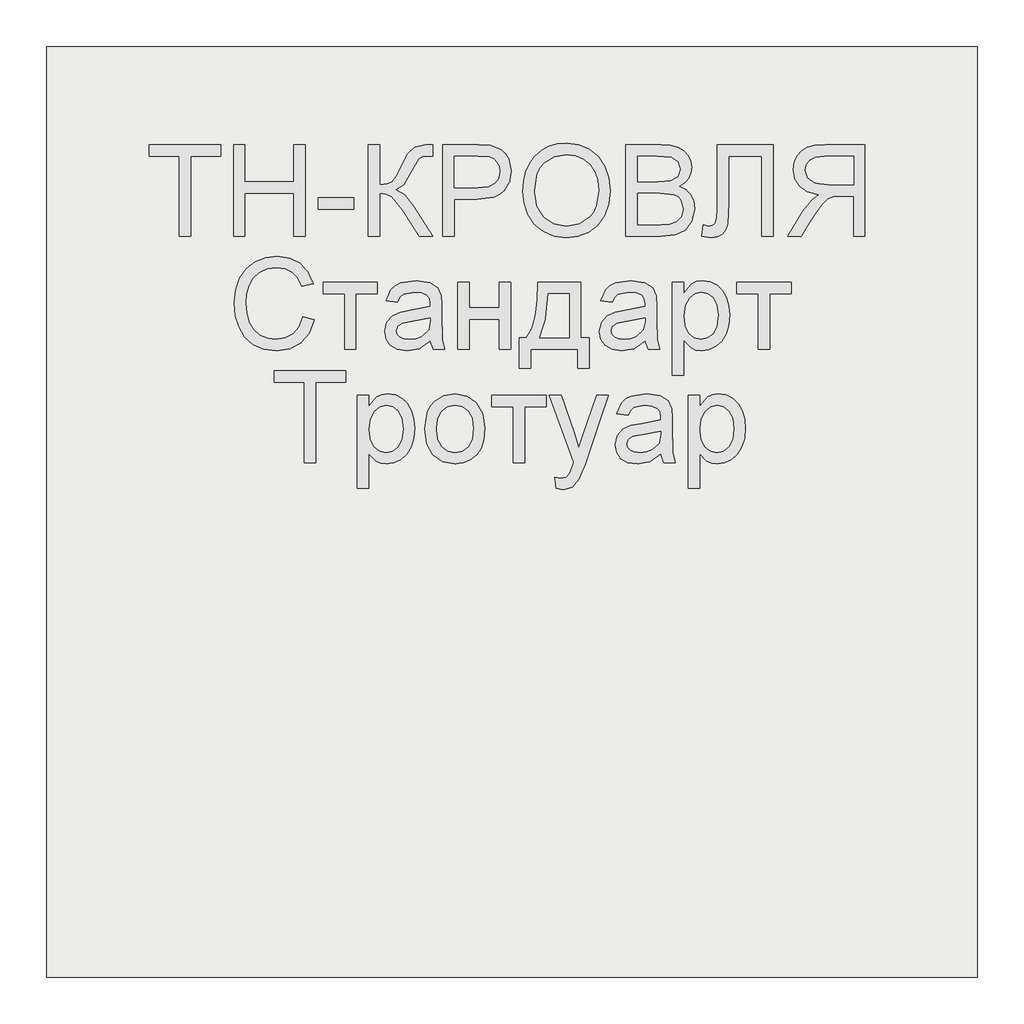
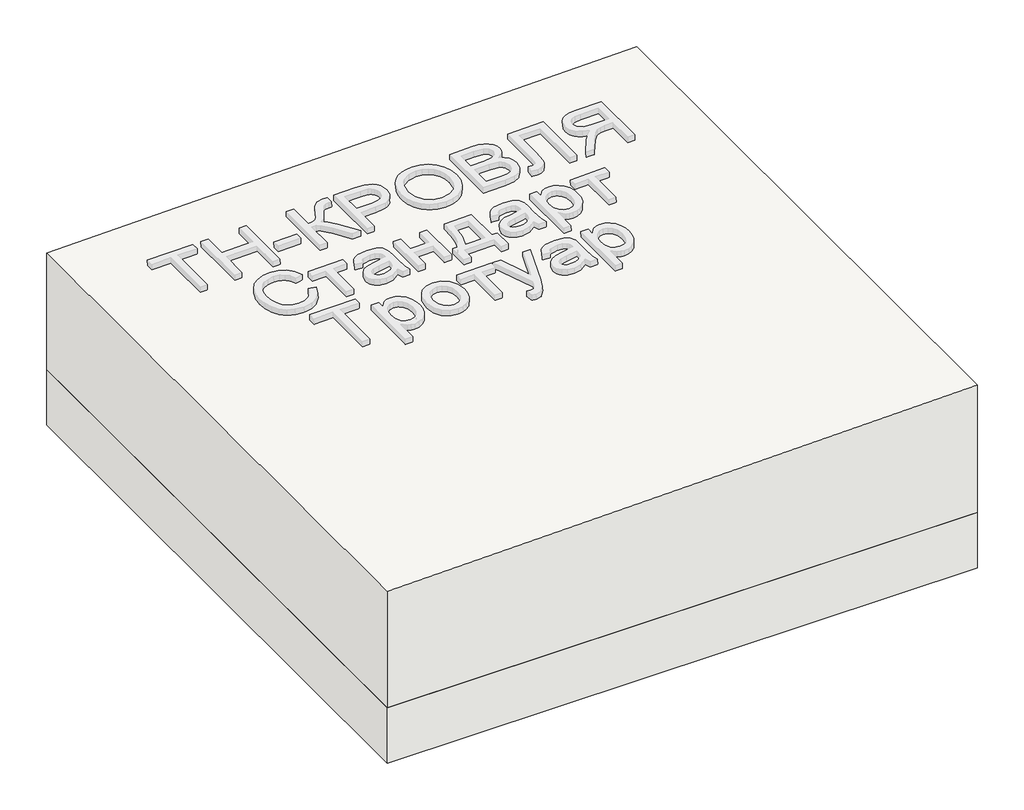
# One storey, part 1 of 3: 1 roof, 1 slab.
"""IFC4 building model written with IfcOpenShell, lengths in millimetres."""

from ifc_helpers import new_model, si_unit, frame, origin, place, context, project, spatial, polyline, outline, extrude, element, save

model = new_model("IFC4")

# Units and contexts
model_context = context("Model", 3, world=origin())
ifc_project = project(units=[si_unit("LENGTHUNIT", "METRE", prefix="MILLI")], contexts=[model_context])

# Site, building, storey
site = spatial("IfcSite", under=ifc_project)
building = spatial("IfcBuilding", under=site)
storey = spatial("IfcBuildingStorey", under=building, Elevation=0.0)

# Roof
placement = place(None, origin())
element("IfcRoof", 1, at=placement, inside=storey, context=model_context, shape_type="SweptSolid", body=[
    extrude(outline(polyline([(417.0, 63706.3955952), (0.0, 63706.3955952), (0.0, 65706.3955952), (457.0, 65706.3955952), (417.0, 63706.3955952)])), frame((0.0, -6302.6148653, 0.0), z_axis=(0.0, 1.0, 0.0), x_axis=(0.0, 0.0, 1.0)), (0.0, 0.0, 1.0), 2000.0),
])

# Slab
element("IfcSlab", 2, at=placement, inside=storey, context=model_context, shape_type="SweptSolid", body=[
    extrude(outline(polyline([(65706.3955952, -6302.6148653), (63706.3955952, -6302.6148653), (63706.3955952, -4302.6148653), (65706.3955952, -4302.6148653), (65706.3955952, -6302.6148653)])), frame((0.0, 0.0, -200.0), z_axis=(0.0, 0.0, 1.0), x_axis=(1.0, 0.0, 0.0)), (0.0, 0.0, 1.0), 200.0),
])

save(model, "model.ifc")
